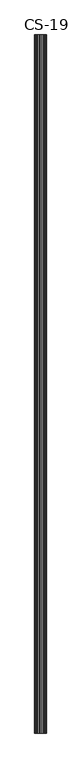
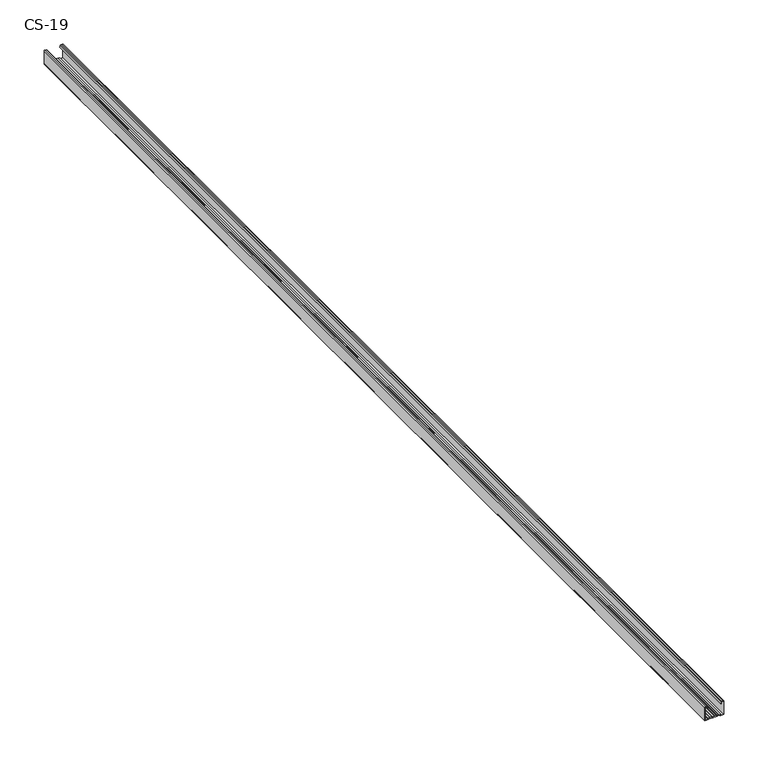
"""IFC4 building model written with IfcOpenShell, lengths in millimetres: proxy geometry, CS-19."""

from ifc_helpers import new_model, si_unit, point, frame, frame_2d, origin, place, context, project, spatial, polyline, circle_curve, trimmed, segment, composite_curve, outline, extrude, source, transform, mapped, element, save


def cs_19_e937eea1(model_context):
    return source(origin(), model_context, "Body", "SweptSolid", [
        extrude(outline(composite_curve([segment(polyline([(-19.0, -12.5), (-19.0, -7.6), (-17.7, -7.6), (-17.7, -6.8), (-18.5, -6.8), (-18.5, -4.7), (-17.7, -4.7), (-17.7, -3.9), (-18.5, -3.9), (-18.5, -1.8), (-17.7, -1.8), (-17.7, -1.0), (-18.5, -1.0), (-18.5, 1.0), (-17.7, 1.0), (-17.7, 1.8), (-18.5, 1.8), (-18.5, 3.9), (-17.7, 3.9), (-17.7, 4.7), (-18.5, 4.7), (-18.5, 6.8), (-17.7, 6.8), (-17.7, 7.6), (-19.0, 7.6), (-19.0, 12.5), (-1.0, 12.5)]), True, "CONTINUOUS"), segment(trimmed(circle_curve(frame_2d((-1.0, 11.5)), 1.0), [point((-1.0, 12.5))], [point((0.0, 11.5))], False, "CARTESIAN"), True, "CONTINUOUS"), segment(polyline([(0.0, 11.5), (0.0, 9.2778679)]), True, "CONTINUOUS"), segment(trimmed(circle_curve(frame_2d((-0.7947911, 9.3690108)), 0.8), [point((0.0, 9.2778679))], [point((-0.4479055, 8.6481292))], False, "CARTESIAN"), True, "CONTINUOUS"), segment(polyline([(-0.4479055, 8.6481292), (-2.9940841, 8.0), (-3.1346768, 8.7973409), (-0.5, 9.1466568), (-0.5, 11.5)]), True, "CONTINUOUS"), segment(trimmed(circle_curve(frame_2d((-1.0, 11.5)), 0.5), [point((-0.5, 11.5))], [point((-1.0, 12.0))], True, "CARTESIAN"), True, "CONTINUOUS"), segment(polyline([(-1.0, 12.0), (-18.5, 12.0), (-18.5, 8.0671937), (-17.2, 8.0671937), (-17.2, 6.3), (-18.0, 6.3), (-18.0, 5.2), (-17.2, 5.2), (-17.2, 3.4), (-18.0, 3.4), (-18.0, 2.3), (-17.2, 2.3), (-17.2, 0.5), (-18.0, 0.5), (-18.0, -0.5), (-17.2, -0.5), (-17.2, -2.3), (-18.0, -2.3), (-18.0, -3.4), (-17.2, -3.4), (-17.2, -5.2), (-18.0, -5.2), (-18.0, -6.3), (-17.2, -6.3), (-17.2, -8.1), (-18.5, -8.1), (-18.5, -12.0), (-1.0, -12.0)]), True, "CONTINUOUS"), segment(trimmed(circle_curve(frame_2d((-1.0, -11.5)), 0.5), [point((-1.0, -12.0))], [point((-0.5, -11.5))], True, "CARTESIAN"), True, "CONTINUOUS"), segment(polyline([(-0.5, -11.5), (-0.5, -9.1466568), (-3.1346768, -8.7973409), (-2.9940841, -8.0), (-0.4479055, -8.6481292)]), True, "CONTINUOUS"), segment(trimmed(circle_curve(frame_2d((-0.7947911, -9.3690108)), 0.8), [point((-0.4479055, -8.6481292))], [point((0.0, -9.2778679))], False, "CARTESIAN"), True, "CONTINUOUS"), segment(polyline([(0.0, -9.2778679), (0.0, -11.5)]), True, "CONTINUOUS"), segment(trimmed(circle_curve(frame_2d((-1.0, -11.5)), 1.0), [point((0.0, -11.5))], [point((-1.0, -12.5))], False, "CARTESIAN"), True, "CONTINUOUS"), segment(polyline([(-1.0, -12.5), (-19.0, -12.5)]), True, "CONTINUOUS")], self_intersect=False)), frame((0.0, 0.0, 0.0), z_axis=(0.0, 1.0, 0.0), x_axis=(0.0, 0.0, 1.0)), (0.0, 0.0, 1.0), 1500.0),
    ])


if __name__ == "__main__":
    model = new_model("IFC4")
    model_context = context("Model", 3, world=origin())
    ifc_project = project(units=[si_unit("LENGTHUNIT", "METRE", prefix="MILLI")], contexts=[model_context])
    site = spatial("IfcSite", under=ifc_project)
    building = spatial("IfcBuilding", under=site)
    placement = place(None, origin())
    cs_19_shape = cs_19_e937eea1(model_context)
    element("IfcBuildingElementProxy", 1, Name="CS-19", ObjectType="CS-19", at=placement, inside=building, context=model_context, shape_type="MappedRepresentation", body=[
        mapped(cs_19_shape, transform((0.0, 0.0, 0.0), x_axis=(1.0, 0.0, 0.0), y_axis=(0.0, 1.0, 0.0), z_axis=(0.0, 0.0, 1.0))),
    ])
    save(model, "model.ifc")
